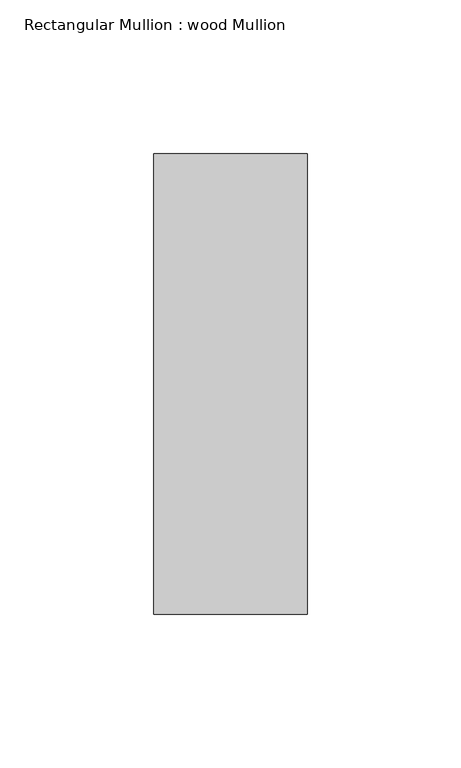
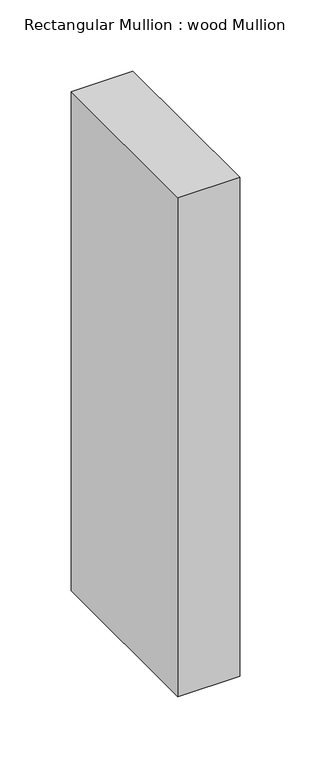
"""IFC4 building model written with IfcOpenShell, lengths in millimetres: member geometry, Rectangular Mullion : wood Mullion."""

from ifc_helpers import new_model, si_unit, frame, origin, place, context, project, spatial, polyline, outline, extrude, source, transform, mapped, element, save


def rectangular_mullion_wood_mullion_15a3aaf3(model_context):
    return source(origin(), model_context, "Body", "SweptSolid", [
        extrude(outline(polyline([(25.0, 75.0), (25.0, -75.0), (-25.0, -75.0), (-25.0, 75.0), (25.0, 75.0)])), frame((0.0, 0.0, -428.1891846), z_axis=(0.0, 0.0, 1.0), x_axis=(1.0, 0.0, 0.0)), (0.0, 0.0, 1.0), 428.1891846),
    ])


if __name__ == "__main__":
    model = new_model("IFC4")
    model_context = context("Model", 3, world=origin())
    ifc_project = project(units=[si_unit("LENGTHUNIT", "METRE", prefix="MILLI")], contexts=[model_context])
    site = spatial("IfcSite", under=ifc_project)
    building = spatial("IfcBuilding", under=site)
    placement = place(None, origin())
    rectangular_mullion_wood_mullion_shape = rectangular_mullion_wood_mullion_15a3aaf3(model_context)
    element("IfcMember", 1, ObjectType="Rectangular Mullion : wood Mullion", at=placement, inside=building, context=model_context, shape_type="MappedRepresentation", body=[
        mapped(rectangular_mullion_wood_mullion_shape, transform((0.0, 0.0, 0.0), x_axis=(1.0, 0.0, 0.0), y_axis=(0.0, 1.0, 0.0), z_axis=(0.0, 0.0, 1.0))),
    ])
    save(model, "model.ifc")
